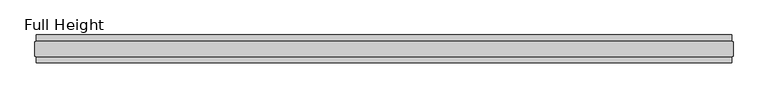
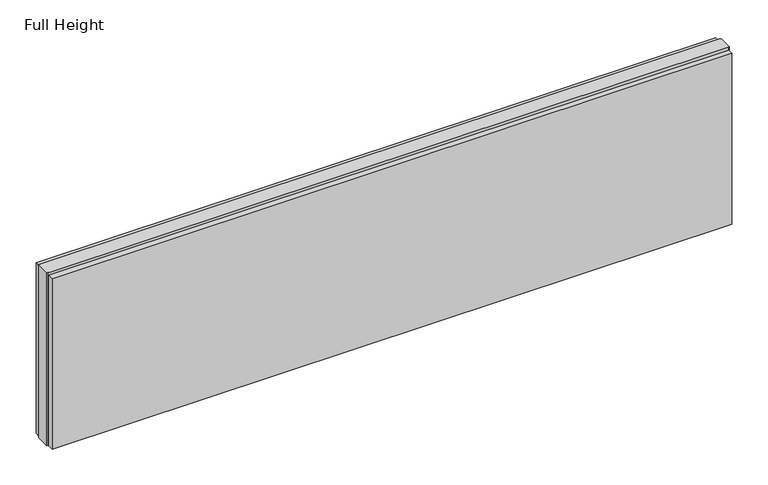
"""IFC4 building model written with IfcOpenShell, lengths in millimetres: plate geometry, Full Height."""

from ifc_helpers import new_model, si_unit, origin, origin_with_axes, place, context, project, spatial, polyline, outline, extrude, source, transform, mapped, element, save


def full_height_db85d36b(model_context):
    return source(origin(), model_context, "Body", "SweptSolid", [
        extrude(outline(polyline([(1227.328, 28.956), (-1227.328, 28.956), (-1227.328, 49.53), (1227.328, 49.53), (1227.328, 28.956)])), origin_with_axes(), (0.0, 0.0, 1.0), 651.256),
        extrude(outline(polyline([(1227.328, -28.956), (1227.328, -49.53), (-1227.328, -49.53), (-1227.328, -28.956), (1227.328, -28.956)])), origin_with_axes(), (0.0, 0.0, 1.0), 651.256),
        extrude(outline(polyline([(1227.328, -25.146), (1227.328, -26.67), (-1227.328, -26.67), (-1227.328, -25.146), (-1231.9, -25.146), (-1231.9, 25.146), (-1227.328, 25.146), (-1227.328, 26.67), (1227.328, 26.67), (1227.328, 25.146), (1231.9, 25.146), (1231.9, -25.146), (1227.328, -25.146)])), origin_with_axes(), (0.0, 0.0, 1.0), 660.4),
    ])


if __name__ == "__main__":
    model = new_model("IFC4")
    model_context = context("Model", 3, world=origin())
    ifc_project = project(units=[si_unit("LENGTHUNIT", "METRE", prefix="MILLI")], contexts=[model_context])
    site = spatial("IfcSite", under=ifc_project)
    building = spatial("IfcBuilding", under=site)
    placement = place(None, origin())
    full_height_shape = full_height_db85d36b(model_context)
    element("IfcPlate", 1, ObjectType="Full Height", at=placement, inside=building, context=model_context, shape_type="MappedRepresentation", body=[
        mapped(full_height_shape, transform((0.0, 0.0, 0.0), x_axis=(1.0, 0.0, 0.0), y_axis=(0.0, 1.0, 0.0), z_axis=(0.0, 0.0, 1.0))),
    ])
    save(model, "model.ifc")
